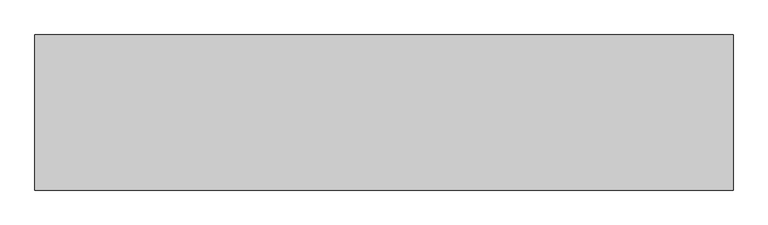
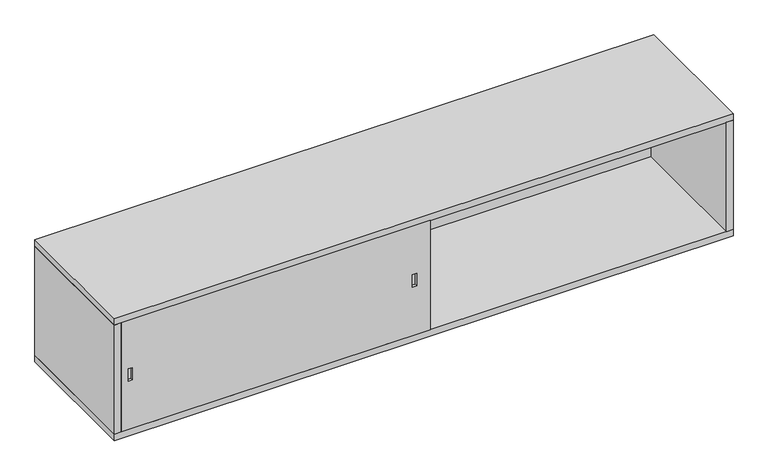
"""IFC4 building model written with IfcOpenShell, lengths in millimetres: furniture geometry."""

from ifc_helpers import new_model, si_unit, frame, origin, origin_with_axes, place, context, project, spatial, polyline, outline, extrude, faceted_brep, source, transform, mapped, element, save


def furniture_42ad85ad(model_context):
    return source(origin(), model_context, "Body", "SolidModel", [
        faceted_brep([(914.4, 386.334, 360.934), (914.4, 386.334, 20.066), (1808.734, 386.334, 20.066), (1808.734, 386.334, 360.934), (914.4, 406.4, 360.934), (1808.734, 406.4, 360.934), (1808.734, 406.4, 20.066), (914.4, 406.4, 20.066), (1775.079, 406.4, 171.45), (1787.779, 406.4, 171.45), (1787.779, 406.4, 209.55), (1775.079, 406.4, 209.55), (935.355, 406.4, 171.45), (948.055, 406.4, 171.45), (948.055, 406.4, 209.55), (935.355, 406.4, 209.55), (1787.779, 398.2572164, 171.45), (1775.079, 398.2572164, 171.45), (1775.079, 398.2572164, 209.55), (1787.779, 398.2572164, 209.55), (948.055, 398.2572164, 171.45), (935.355, 398.2572164, 171.45), (935.355, 398.2572164, 209.55), (948.055, 398.2572164, 209.55)], [[[0, 1, 2, 3]], [[4, 5, 6, 7], [8, 9, 10, 11], [12, 13, 14, 15]], [[0, 3, 5, 4]], [[3, 2, 6, 5]], [[2, 1, 7, 6]], [[1, 0, 4, 7]], [[16, 17, 18, 19]], [[17, 16, 9, 8]], [[18, 17, 8, 11]], [[19, 18, 11, 10]], [[16, 19, 10, 9]], [[20, 21, 22, 23]], [[21, 20, 13, 12]], [[22, 21, 12, 15]], [[23, 22, 15, 14]], [[20, 23, 14, 13]]]),
        extrude(outline(polyline([(934.466, 20.066), (914.4, 20.066), (914.4, 386.334), (934.466, 386.334), (934.466, 20.066)])), frame((0.0, 0.0, 20.066), z_axis=(0.0, 0.0, 1.0), x_axis=(1.0, 0.0, 0.0)), (0.0, 0.0, 1.0), 340.868),
        faceted_brep([(934.466, 20.066, 360.934), (934.466, 20.066, 20.066), (20.066, 20.066, 20.066), (20.066, 20.066, 360.934), (934.466, 0.0, 360.934), (20.066, 0.0, 360.934), (20.066, 0.0, 20.066), (934.466, 0.0, 20.066), (53.721, 0.0, 171.45), (41.021, 0.0, 171.45), (41.021, 0.0, 209.55), (53.721, 0.0, 209.55), (893.445, 0.0, 171.45), (880.745, 0.0, 171.45), (880.745, 0.0, 209.55), (893.445, 0.0, 209.55), (41.021, 8.1427836, 171.45), (53.721, 8.1427836, 171.45), (53.721, 8.1427836, 209.55), (41.021, 8.1427836, 209.55), (880.745, 8.1427836, 171.45), (893.445, 8.1427836, 171.45), (893.445, 8.1427836, 209.55), (880.745, 8.1427836, 209.55)], [[[0, 1, 2, 3]], [[4, 5, 6, 7], [8, 9, 10, 11], [12, 13, 14, 15]], [[0, 3, 5, 4]], [[3, 2, 6, 5]], [[2, 1, 7, 6]], [[1, 0, 4, 7]], [[16, 17, 18, 19]], [[17, 16, 9, 8]], [[18, 17, 8, 11]], [[19, 18, 11, 10]], [[16, 19, 10, 9]], [[20, 21, 22, 23]], [[21, 20, 13, 12]], [[22, 21, 12, 15]], [[23, 22, 15, 14]], [[20, 23, 14, 13]]]),
        extrude(outline(polyline([(1808.734, 0.0), (1808.734, 406.4), (1828.8, 406.4), (1828.8, 0.0), (1808.734, 0.0)])), frame((0.0, 0.0, 20.066), z_axis=(0.0, 0.0, 1.0), x_axis=(1.0, 0.0, 0.0)), (0.0, 0.0, 1.0), 340.868),
        extrude(outline(polyline([(20.066, 0.0), (0.0, 0.0), (0.0, 406.4), (20.066, 406.4), (20.066, 0.0)])), frame((0.0, 0.0, 20.066), z_axis=(0.0, 0.0, 1.0), x_axis=(1.0, 0.0, 0.0)), (0.0, 0.0, 1.0), 340.868),
        extrude(outline(polyline([(1828.8, 0.0), (0.0, 0.0), (0.0, 406.4), (1828.8, 406.4), (1828.8, 0.0)])), origin_with_axes(), (0.0, 0.0, 1.0), 20.066),
        extrude(outline(polyline([(1828.8, 0.0), (0.0, 0.0), (0.0, 406.4), (1828.8, 406.4), (1828.8, 0.0)])), frame((0.0, 0.0, 360.934), z_axis=(0.0, 0.0, 1.0), x_axis=(1.0, 0.0, 0.0)), (0.0, 0.0, 1.0), 20.066),
    ])


if __name__ == "__main__":
    model = new_model("IFC4")
    model_context = context("Model", 3, world=origin())
    ifc_project = project(units=[si_unit("LENGTHUNIT", "METRE", prefix="MILLI")], contexts=[model_context])
    site = spatial("IfcSite", under=ifc_project)
    building = spatial("IfcBuilding", under=site)
    placement = place(None, origin())
    furniture_shape = furniture_42ad85ad(model_context)
    element("IfcFurniture", 1, at=placement, inside=building, context=model_context, shape_type="MappedRepresentation", body=[
        mapped(furniture_shape, transform((0.0, 0.0, 0.0), x_axis=(1.0, 0.0, 0.0), y_axis=(0.0, 1.0, 0.0), z_axis=(0.0, 0.0, 1.0))),
    ])
    save(model, "model.ifc")
